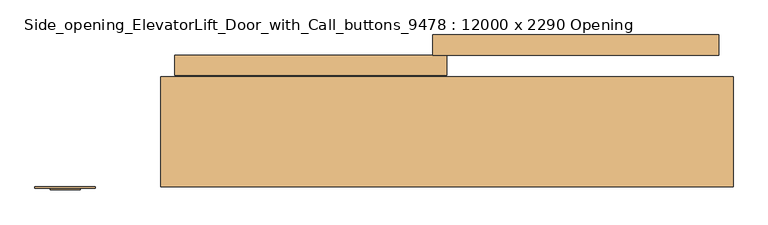
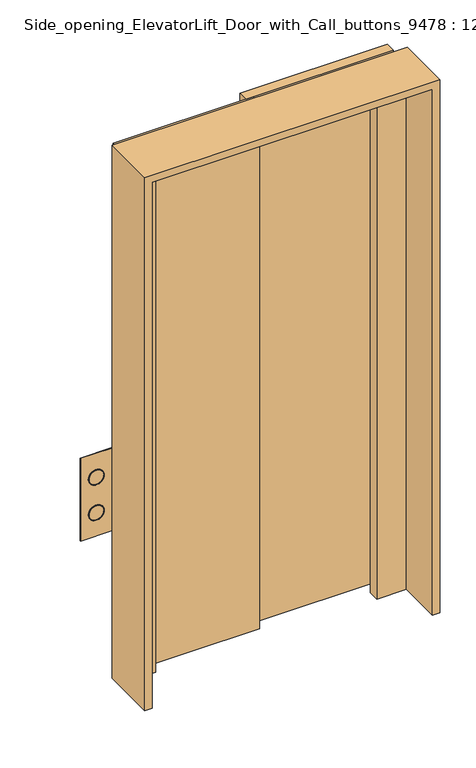
"""IFC4 building model written with IfcOpenShell, lengths in millimetres: door geometry, Side_opening_ElevatorLift_Door_with_Call_buttons_9478 : 12000 x 2290 Opening."""

from ifc_helpers import new_model, si_unit, point, frame, frame_2d, origin, origin_with_axes, place, context, project, spatial, polyline, circle_curve, trimmed, segment, composite_curve, outline, extrude, faceted_brep, source, transform, mapped, element, save
from ifc_brep_helpers import plane_surface, cylinder_surface, revolved_surface, advanced_brep


def side_opening_elevatorlift_door_with_call_buttons_9478_12000_b9308c87(model_context):
    return source(origin(), model_context, "Body", "SolidModel", [
        advanced_brep(
        [(-831.75, -107.95, 1076.2), (-768.25, -107.95, 1076.2), (-830.1625, -107.95, 1076.2), (-769.8375, -107.95, 1076.2), (-736.5, -101.6, 1177.8), (-736.5, -101.6, 822.2), (-863.5, -101.6, 822.2), (-863.5, -101.6, 1177.8), (-831.75, -104.775, 1076.2), (-768.25, -104.775, 1076.2), (-830.1625, -104.775, 1076.2), (-769.8375, -104.775, 1076.2), (-736.5, -104.775, 1177.8), (-863.5, -104.775, 1177.8), (-863.5, -104.775, 822.2), (-736.5, -104.775, 822.2), (-768.25, -104.775, 923.8), (-831.75, -104.775, 923.8), (-769.8375, -104.775, 923.8), (-830.1625, -104.775, 923.8), (-831.75, -107.95, 923.8), (-768.25, -107.95, 923.8), (-830.1625, -107.95, 923.8), (-769.8375, -107.95, 923.8)],
        [
            (0, 1, circle_curve(frame((-800.0, -107.95, 1076.2), z_axis=(0.0, -1.0, 0.0), x_axis=(1.0, 0.0, 0.0)), 31.75)),
            (1, 0, circle_curve(frame((-800.0, -107.95, 1076.2), z_axis=(0.0, -1.0, 0.0), x_axis=(1.0, 0.0, 0.0)), 31.75)),
            (2, 3, circle_curve(frame((-800.0, -107.95, 1076.2), z_axis=(0.0, 1.0, 0.0), x_axis=(1.0, 0.0, 0.0)), 30.1625)),
            (3, 2, circle_curve(frame((-800.0, -107.95, 1076.2), z_axis=(0.0, 1.0, 0.0), x_axis=(1.0, 0.0, 0.0)), 30.1625)),
            (4, 5),
            (5, 6),
            (6, 7),
            (7, 4),
            (0, 8),
            (8, 9, circle_curve(frame((-800.0, -104.775, 1076.2), z_axis=(0.0, -1.0, 0.0), x_axis=(1.0, 0.0, 0.0)), 31.75)),
            (9, 1),
            (9, 8, circle_curve(frame((-800.0, -104.775, 1076.2), z_axis=(0.0, -1.0, 0.0), x_axis=(1.0, 0.0, 0.0)), 31.75)),
            (2, 10),
            (10, 11, circle_curve(frame((-800.0, -104.775, 1076.2), z_axis=(0.0, 1.0, 0.0), x_axis=(1.0, 0.0, 0.0)), 30.1625)),
            (11, 3),
            (11, 10, circle_curve(frame((-800.0, -104.775, 1076.2), z_axis=(0.0, 1.0, 0.0), x_axis=(1.0, 0.0, 0.0)), 30.1625)),
            (12, 13),
            (13, 14),
            (14, 15),
            (15, 12),
            (16, 17, circle_curve(frame((-800.0, -104.775, 923.8), z_axis=(0.0, 1.0, 0.0), x_axis=(1.0, 0.0, 0.0)), 31.75)),
            (17, 16, circle_curve(frame((-800.0, -104.775, 923.8), z_axis=(0.0, 1.0, 0.0), x_axis=(1.0, 0.0, 0.0)), 31.75)),
            (18, 19, circle_curve(frame((-800.0, -104.775, 923.8), z_axis=(0.0, -1.0, 0.0), x_axis=(1.0, 0.0, 0.0)), 30.1625)),
            (19, 18, circle_curve(frame((-800.0, -104.775, 923.8), z_axis=(0.0, -1.0, 0.0), x_axis=(1.0, 0.0, 0.0)), 30.1625)),
            (12, 4),
            (7, 13),
            (6, 14),
            (5, 15),
            (20, 21, circle_curve(frame((-800.0, -107.95, 923.8), z_axis=(0.0, -1.0, 0.0), x_axis=(1.0, 0.0, 0.0)), 31.75)),
            (21, 20, circle_curve(frame((-800.0, -107.95, 923.8), z_axis=(0.0, -1.0, 0.0), x_axis=(1.0, 0.0, 0.0)), 31.75)),
            (22, 23, circle_curve(frame((-800.0, -107.95, 923.8), z_axis=(0.0, 1.0, 0.0), x_axis=(1.0, 0.0, 0.0)), 30.1625)),
            (23, 22, circle_curve(frame((-800.0, -107.95, 923.8), z_axis=(0.0, 1.0, 0.0), x_axis=(1.0, 0.0, 0.0)), 30.1625)),
            (20, 17),
            (16, 21),
            (22, 19),
            (18, 23),
        ],
        [
            plane_surface(frame((-768.25, -107.95, 1076.2), z_axis=(0.0, -1.0, 0.0), x_axis=(0.0, 0.0, 1.0))),
            plane_surface(frame((-768.25, -101.6, 1076.2), z_axis=(0.0, 1.0, 0.0), x_axis=(0.0, 0.0, -1.0))),
            cylinder_surface(frame((-800.0, -101.6, 1076.2), z_axis=(0.0, -1.0, 0.0), x_axis=(1.0, 0.0, 0.0)), 31.75),
            revolved_surface(polyline([(-769.8375, -104.775, 1076.2), (-769.8375, -107.95, 1076.2)]), (-800.0, -101.6, 1076.2), (0.0, 1.0, 0.0)),
            plane_surface(frame((-863.5, -104.775, 1177.8), z_axis=(0.0, -1.0, 0.0), x_axis=(-1.0, 0.0, 0.0))),
            plane_surface(frame((-736.5, -104.775, 1177.8), z_axis=(0.0, 0.0, 1.0), x_axis=(0.0, 1.0, 0.0))),
            plane_surface(frame((-863.5, -104.775, 1177.8), z_axis=(-1.0, 0.0, 0.0), x_axis=(0.0, 1.0, 0.0))),
            plane_surface(frame((-863.5, -104.775, 822.2), z_axis=(0.0, 0.0, -1.0), x_axis=(0.0, 1.0, 0.0))),
            plane_surface(frame((-736.5, -104.775, 822.2), z_axis=(1.0, 0.0, 0.0), x_axis=(0.0, 1.0, 0.0))),
            plane_surface(frame((-768.25, -107.95, 923.8), z_axis=(0.0, -1.0, 0.0), x_axis=(0.0, 0.0, 1.0))),
            cylinder_surface(frame((-800.0, -101.6, 923.8), z_axis=(0.0, -1.0, 0.0), x_axis=(1.0, 0.0, 0.0)), 31.75),
            revolved_surface(polyline([(-769.8375, -104.775, 923.8), (-769.8375, -107.95, 923.8)]), (-800.0, -101.6, 923.8), (0.0, 1.0, 0.0)),
        ],
        [
            (0, [[1, 2], [3, 4]]),
            (1, [[5, 6, 7, 8]]),
            (2, [[-1, 9, 10, 11]]),
            (2, [[-2, -11, 12, -9]]),
            (3, [[-3, 13, 14, 15]]),
            (3, [[-4, -15, 16, -13]]),
            (4, [[-14, -16]]),
            (4, [[17, 18, 19, 20], [-10, -12], [21, 22]]),
            (4, [[23, 24]]),
            (5, [[-17, 25, -8, 26]]),
            (6, [[-18, -26, -7, 27]]),
            (7, [[-19, -27, -6, 28]]),
            (8, [[-20, -28, -5, -25]]),
            (9, [[29, 30], [31, 32]]),
            (10, [[-29, 33, -21, 34]]),
            (10, [[-30, -34, -22, -33]]),
            (11, [[-31, 35, -23, 36]]),
            (11, [[-32, -36, -24, -35]]),
        ],
    ),
        extrude(outline(composite_curve([segment(trimmed(circle_curve(frame_2d((1076.2, -800.0)), 30.1625), [point((1076.2, -830.1625))], [point((1076.2, -769.8375))], False, "CARTESIAN"), True, "CONTINUOUS"), segment(trimmed(circle_curve(frame_2d((1076.2, -800.0)), 30.1625), [point((1076.2, -769.8375))], [point((1076.2, -830.1625))], False, "CARTESIAN"), True, "CONTINUOUS")], self_intersect=False)), frame((0.0, -106.3625, 0.0), z_axis=(0.0, 1.0, 0.0), x_axis=(0.0, 0.0, 1.0)), (0.0, 0.0, 1.0), 4.7625),
        extrude(outline(composite_curve([segment(trimmed(circle_curve(frame_2d((923.8, -800.0)), 30.1625), [point((923.8, -830.1625))], [point((923.8, -769.8375))], False, "CARTESIAN"), True, "CONTINUOUS"), segment(trimmed(circle_curve(frame_2d((923.8, -800.0)), 30.1625), [point((923.8, -769.8375))], [point((923.8, -830.1625))], False, "CARTESIAN"), True, "CONTINUOUS")], self_intersect=False)), frame((0.0, -106.3625, 0.0), z_axis=(0.0, 1.0, 0.0), x_axis=(0.0, 0.0, 1.0)), (0.0, 0.0, 1.0), 4.7625),
        faceted_brep([(-600.0, -101.6, 0.0), (-600.0, 128.4, 0.0), (-450.0, 128.4, 0.0), (-450.0, 83.4, 0.0), (-570.0, 83.4, 0.0), (-570.0, -101.6, 0.0), (-600.0, -101.6, 2290.0), (-600.0, 128.4, 2290.0), (600.0, 128.4, 2290.0), (600.0, 128.4, 0.0), (450.0, 128.4, 0.0), (450.0, 128.4, 2140.0), (-450.0, 128.4, 2140.0), (-450.0, 83.4, 2140.0), (450.0, 83.4, 2140.0), (450.0, 83.4, 0.0), (570.0, 83.4, 0.0), (570.0, 83.4, 2260.0), (-570.0, 83.4, 2260.0), (-570.0, -101.6, 2260.0), (570.0, -101.6, 2260.0), (570.0, -101.6, 0.0), (600.0, -101.6, 0.0), (600.0, -101.6, 2290.0)], [[[0, 1, 2, 3, 4, 5]], [[1, 0, 6, 7]], [[2, 1, 7, 8, 9, 10, 11, 12]], [[3, 2, 12, 13]], [[4, 3, 13, 14, 15, 16, 17, 18]], [[5, 4, 18, 19]], [[0, 5, 19, 20, 21, 22, 23, 6]], [[8, 23, 22, 9]], [[22, 21, 16, 15, 10, 9]], [[14, 11, 10, 15]], [[20, 17, 16, 21]], [[7, 6, 23, 8]], [[13, 12, 11, 14]], [[19, 18, 17, 20]]]),
        extrude(outline(polyline([(570.0, 216.6), (570.0, 174.1), (-30.0, 174.1), (-30.0, 216.6), (570.0, 216.6)])), origin_with_axes(), (0.0, 0.0, 1.0), 2260.0),
        extrude(outline(polyline([(0.0, 174.1), (0.0, 131.6), (-570.0, 131.6), (-570.0, 174.1), (0.0, 174.1)])), origin_with_axes(), (0.0, 0.0, 1.0), 2260.0),
    ])


if __name__ == "__main__":
    model = new_model("IFC4")
    model_context = context("Model", 3, world=origin())
    ifc_project = project(units=[si_unit("LENGTHUNIT", "METRE", prefix="MILLI")], contexts=[model_context])
    site = spatial("IfcSite", under=ifc_project)
    building = spatial("IfcBuilding", under=site)
    placement = place(None, origin())
    side_opening_elevatorlift_door_with_call_buttons_9478_12000_shape = side_opening_elevatorlift_door_with_call_buttons_9478_12000_b9308c87(model_context)
    element("IfcDoor", 1, ObjectType="Side_opening_ElevatorLift_Door_with_Call_buttons_9478 : 12000 x 2290 Opening", at=placement, inside=building, context=model_context, shape_type="MappedRepresentation", body=[
        mapped(side_opening_elevatorlift_door_with_call_buttons_9478_12000_shape, transform((0.0, 0.0, 0.0), x_axis=(1.0, 0.0, 0.0), y_axis=(0.0, 1.0, 0.0), z_axis=(0.0, 0.0, 1.0))),
    ])
    save(model, "model.ifc")
